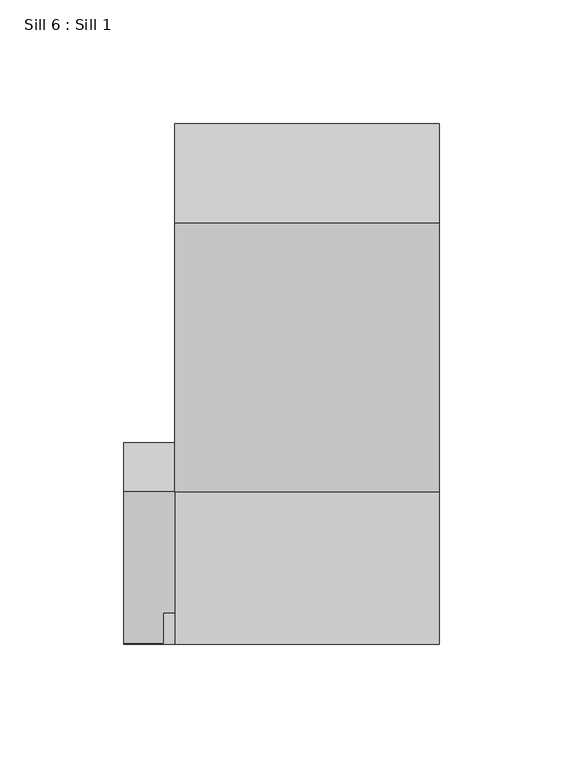
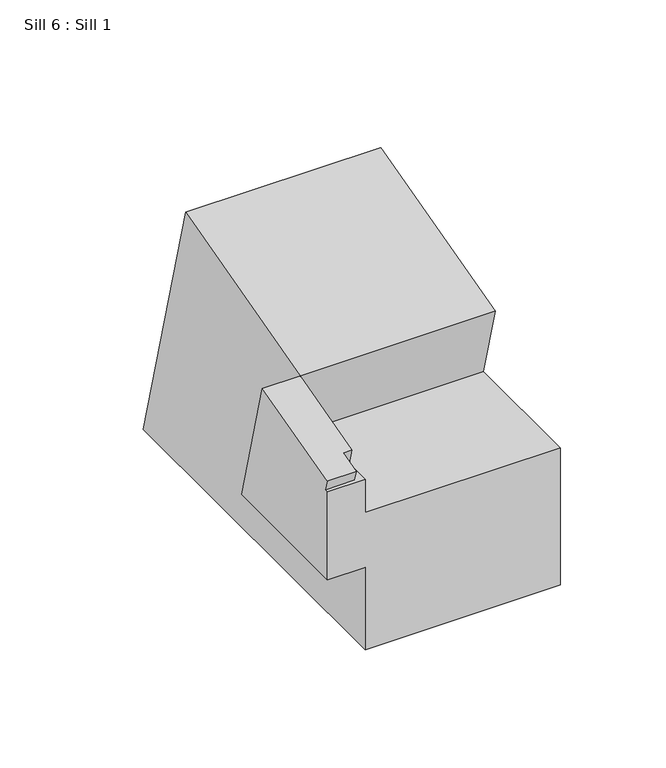
"""IFC4 building model written with IfcOpenShell, lengths in millimetres: proxy geometry, Sill 6 : Sill 1."""

from ifc_helpers import new_model, si_unit, origin, place, context, project, spatial, faceted_brep, source, transform, mapped, element, save


def sill_6_sill_1_dd4fc0a2(model_context):
    return source(origin(), model_context, "Body", "Brep", [
        faceted_brep([(-5117.4847818, 10016.6029162, 980.4930523), (-5117.4847818, 10056.8486546, 830.293912), (-5117.4847818, 9846.3136193, 830.293912), (-5117.4847818, 9846.3136193, 878.0805218), (-5117.4847818, 9927.7453885, 878.0805218), (-5117.4847818, 9919.2813049, 909.668912), (-5117.4847818, 9908.0945816, 951.4183317), (-5010.5881444, 9908.0945816, 951.4183317), (-5010.5881444, 9919.2813049, 909.668912), (-5010.5881444, 9846.3136193, 909.668912), (-5010.5881444, 9846.3136193, 830.293912), (-5010.5881444, 10056.8486546, 830.293912), (-5010.5881444, 10016.6029162, 980.4930523), (-5117.4847818, 9919.2813049, 909.668912), (-5117.4847818, 9846.3136193, 909.668912), (-5117.4847818, 9846.3136193, 928.8805218), (-5138.1633868, 9846.3136193, 928.8805218), (-5138.1633868, 9846.3136193, 878.0805218), (-5138.086916, 9846.7538262, 934.9821258), (-5122.217609, 9846.7538262, 934.9821258), (-5122.217609, 9859.0255496, 938.2703242), (-5117.4847818, 9859.0255496, 938.2703242), (-5138.1633868, 9908.0945816, 951.4183317), (-5138.1633868, 9927.7453885, 878.0805218), (-5138.1633868, 9848.388746, 928.8805218), (-5117.4847818, 9861.5415396, 928.8805218), (-5122.217609, 9861.5415396, 928.8805218), (-5122.217609, 9848.388746, 928.8805218)], [[[0, 1, 2, 3, 4, 5, 6]], [[7, 8, 9, 10, 11, 12]], [[8, 7, 6, 13]], [[6, 7, 12, 0]], [[0, 12, 11, 1]], [[10, 9, 14, 15, 16, 17, 3, 2]], [[14, 9, 8, 13]], [[11, 10, 2, 1]], [[18, 19, 20, 21, 6, 22]], [[18, 22, 23, 17, 16, 24]], [[25, 21, 20, 26]], [[6, 21, 25, 15, 14, 13]], [[22, 6, 5, 4, 23]], [[17, 23, 4, 3]], [[20, 19, 27, 26]], [[18, 24, 27, 19]], [[15, 25, 26, 27, 24, 16]]]),
    ])


if __name__ == "__main__":
    model = new_model("IFC4")
    model_context = context("Model", 3, world=origin())
    ifc_project = project(units=[si_unit("LENGTHUNIT", "METRE", prefix="MILLI")], contexts=[model_context])
    site = spatial("IfcSite", under=ifc_project)
    building = spatial("IfcBuilding", under=site)
    placement = place(None, origin())
    sill_6_sill_1_shape = sill_6_sill_1_dd4fc0a2(model_context)
    element("IfcBuildingElementProxy", 1, Name="Sill 6 : Sill 1", ObjectType="Sill 6 : Sill 1", at=placement, inside=building, context=model_context, shape_type="MappedRepresentation", body=[
        mapped(sill_6_sill_1_shape, transform((0.0, 0.0, 0.0), x_axis=(1.0, 0.0, 0.0), y_axis=(0.0, 1.0, 0.0), z_axis=(0.0, 0.0, 1.0))),
    ])
    save(model, "model.ifc")
